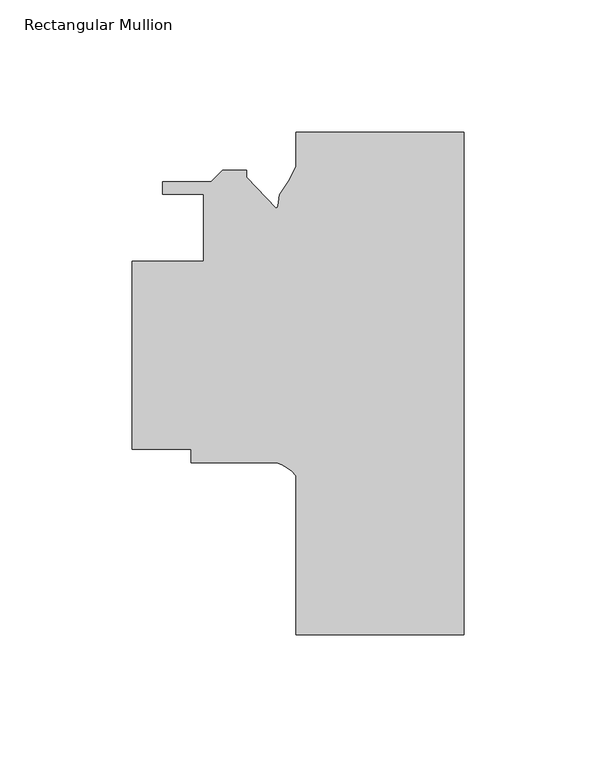
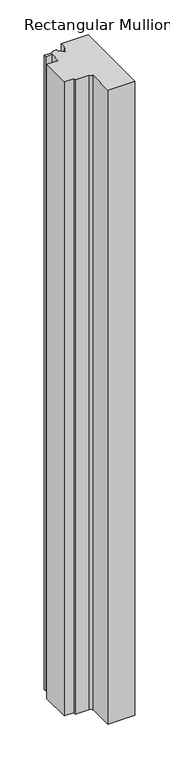
"""IFC4 building model written with IfcOpenShell, lengths in millimetres: member geometry, Rectangular Mullion."""

from ifc_helpers import new_model, si_unit, point, frame, frame_2d, origin, place, context, project, spatial, polyline, circle_curve, trimmed, segment, composite_curve, outline, extrude, source, transform, mapped, element, save


def rectangular_mullion_18ac43eb(model_context):
    return source(origin(), model_context, "Body", "SweptSolid", [
        extrude(outline(composite_curve([segment(polyline([(0.0, -2.0835938), (0.0, -192.0755937), (-63.515875, -192.0755937), (-63.515875, -131.8395973)]), True, "CONTINUOUS"), segment(trimmed(circle_curve(frame_2d((-74.3196816, -140.2522731)), 13.6928942), [point((-63.515875, -131.8395973))], [point((-70.7925126, -127.0214594))], True, "CARTESIAN"), True, "CONTINUOUS"), segment(polyline([(-70.7925126, -127.0214594), (-103.1875, -127.0214594), (-103.1875, -121.9414594), (-125.4125, -121.9414594), (-125.4125, -50.8214596), (-98.4250005, -50.8214596), (-98.4250005, -25.4214596), (-113.9261495, -25.4214596), (-113.9261495, -20.7224594), (-95.5436417, -20.7224594), (-91.2764417, -16.4552594), (-82.1761495, -16.4552594), (-82.1761495, -18.9952593), (-70.9271937, -30.8066629)]), True, "CONTINUOUS"), segment(trimmed(circle_curve(frame_2d((-71.57951, -29.7169916)), 1.27), [point((-70.9271937, -30.8066629))], [point((-70.3288042, -29.9375248))], True, "CARTESIAN"), True, "CONTINUOUS"), segment(polyline([(-70.3288042, -29.9375248), (-69.5929444, -25.7642568)]), True, "CONTINUOUS"), segment(trimmed(circle_curve(frame_2d((-115.1557302, 6.9921825)), 56.1155216), [point((-69.5929444, -25.7642568))], [point((-63.515875, -14.9686262))], True, "CARTESIAN"), True, "CONTINUOUS"), segment(polyline([(-63.515875, -14.9686262), (-63.515875, -2.0835938), (0.0, -2.0835938)]), True, "CONTINUOUS")], self_intersect=False)), frame((0.0, 0.0, -1577.959125), z_axis=(0.0, 0.0, 1.0), x_axis=(1.0, 0.0, 0.0)), (0.0, 0.0, 1.0), 1577.959125),
    ])


if __name__ == "__main__":
    model = new_model("IFC4")
    model_context = context("Model", 3, world=origin())
    ifc_project = project(units=[si_unit("LENGTHUNIT", "METRE", prefix="MILLI")], contexts=[model_context])
    site = spatial("IfcSite", under=ifc_project)
    building = spatial("IfcBuilding", under=site)
    placement = place(None, origin())
    rectangular_mullion_shape = rectangular_mullion_18ac43eb(model_context)
    element("IfcMember", 1, ObjectType="Rectangular Mullion", at=placement, inside=building, context=model_context, shape_type="MappedRepresentation", body=[
        mapped(rectangular_mullion_shape, transform((0.0, 0.0, 0.0), x_axis=(1.0, 0.0, 0.0), y_axis=(0.0, 1.0, 0.0), z_axis=(0.0, 0.0, 1.0))),
    ])
    save(model, "model.ifc")
